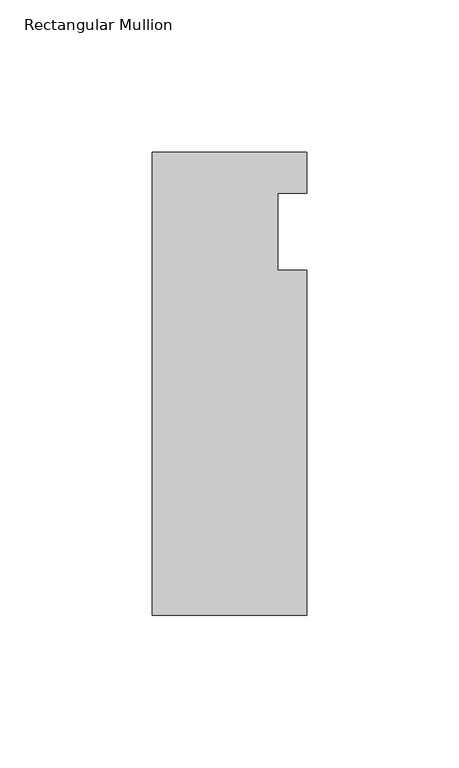
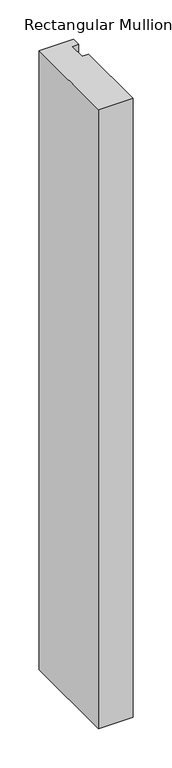
"""IFC4 building model written with IfcOpenShell, lengths in millimetres: member geometry, Rectangular Mullion."""

from ifc_helpers import new_model, si_unit, frame, origin, place, context, project, spatial, polyline, outline, extrude, source, transform, mapped, element, save


def rectangular_mullion_1d08baf4(model_context):
    return source(origin(), model_context, "Body", "SweptSolid", [
        extrude(outline(polyline([(-25.4, 26.19375), (25.4, 26.19375), (25.4, 12.7), (15.875, 12.7), (15.875, -12.7), (25.4, -12.7), (25.4, -126.20625), (-25.4, -126.20625), (-25.4, 26.19375)])), frame((0.0, 0.0, -965.2), z_axis=(0.0, 0.0, 1.0), x_axis=(1.0, 0.0, 0.0)), (0.0, 0.0, 1.0), 965.2),
    ])


if __name__ == "__main__":
    model = new_model("IFC4")
    model_context = context("Model", 3, world=origin())
    ifc_project = project(units=[si_unit("LENGTHUNIT", "METRE", prefix="MILLI")], contexts=[model_context])
    site = spatial("IfcSite", under=ifc_project)
    building = spatial("IfcBuilding", under=site)
    placement = place(None, origin())
    rectangular_mullion_shape = rectangular_mullion_1d08baf4(model_context)
    element("IfcMember", 1, ObjectType="Rectangular Mullion", at=placement, inside=building, context=model_context, shape_type="MappedRepresentation", body=[
        mapped(rectangular_mullion_shape, transform((0.0, 0.0, 0.0), x_axis=(1.0, 0.0, 0.0), y_axis=(0.0, 1.0, 0.0), z_axis=(0.0, 0.0, 1.0))),
    ])
    save(model, "model.ifc")
